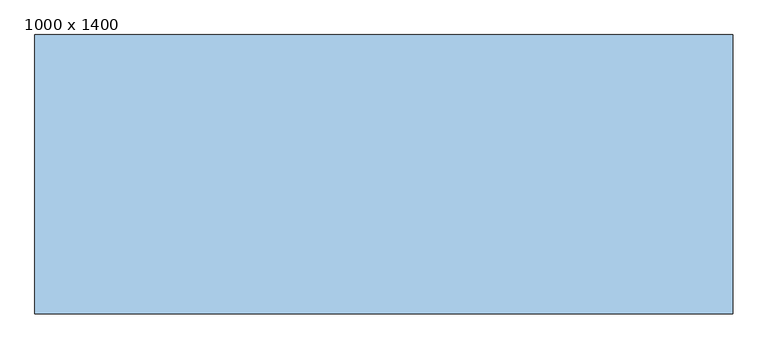
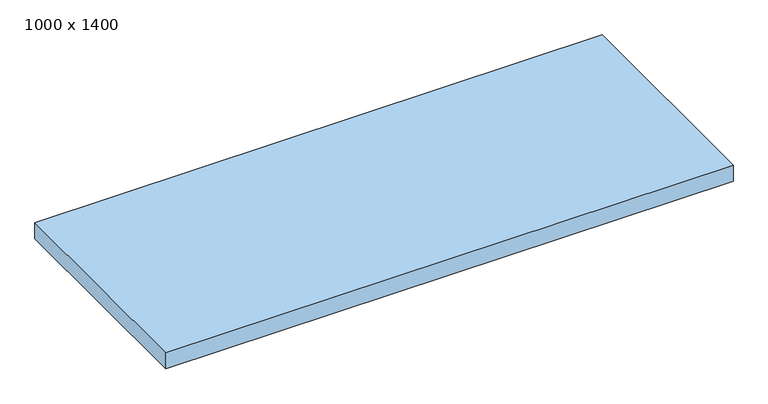
"""IFC4 building model written with IfcOpenShell, lengths in millimetres: window geometry, 1000 x 1400."""

from ifc_helpers import new_model, si_unit, frame, origin, place, context, project, spatial, polyline, outline, extrude, source, transform, mapped, element, save


def window_1000_x_1400_9342917e(model_context):
    return source(origin(), model_context, "Body", "SweptSolid", [
        extrude(outline(polyline([(-500.0, -200.0), (-500.0, 200.0), (500.0, 200.0), (500.0, -200.0), (-500.0, -200.0)])), frame((0.0, 0.0, 850.0), z_axis=(0.0, 0.0, 1.0), x_axis=(1.0, 0.0, 0.0)), (0.0, 0.0, 1.0), 30.0),
    ])


if __name__ == "__main__":
    model = new_model("IFC4")
    model_context = context("Model", 3, world=origin())
    ifc_project = project(units=[si_unit("LENGTHUNIT", "METRE", prefix="MILLI")], contexts=[model_context])
    site = spatial("IfcSite", under=ifc_project)
    building = spatial("IfcBuilding", under=site)
    placement = place(None, origin())
    window_1000_x_1400_shape = window_1000_x_1400_9342917e(model_context)
    element("IfcWindow", 1, ObjectType="1000 x 1400", at=placement, inside=building, context=model_context, shape_type="MappedRepresentation", body=[
        mapped(window_1000_x_1400_shape, transform((0.0, 0.0, 0.0), x_axis=(1.0, 0.0, 0.0), y_axis=(0.0, 1.0, 0.0), z_axis=(0.0, 0.0, 1.0))),
    ])
    save(model, "model.ifc")
